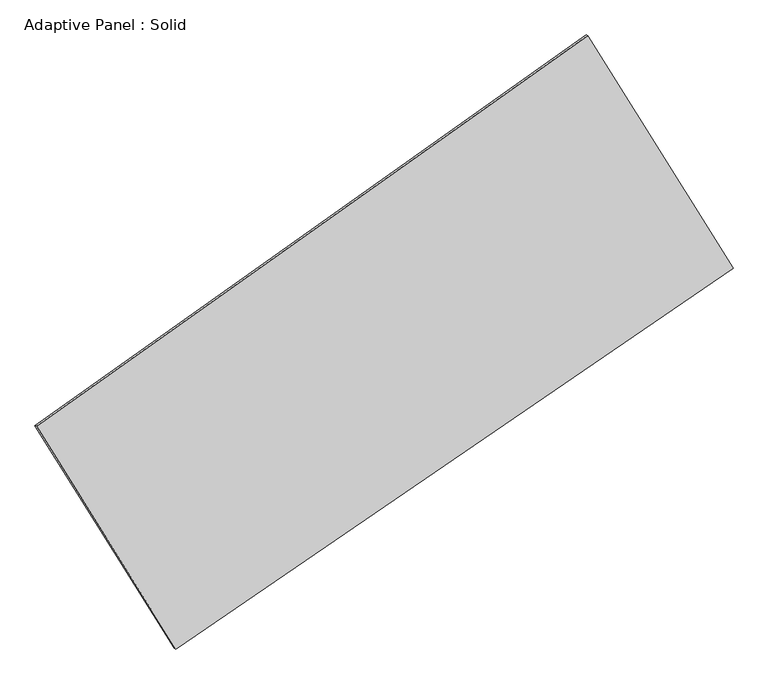
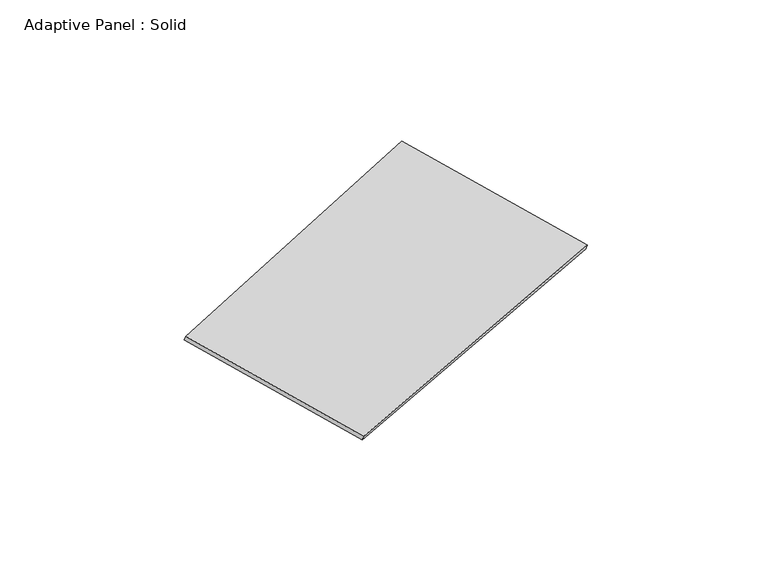
"""IFC4 building model written with IfcOpenShell, lengths in millimetres: plate geometry, Adaptive Panel : Solid."""

from ifc_helpers import new_model, si_unit, frame, origin, place, context, project, spatial, polyline, outline, extrude, source, transform, mapped, element, save


def adaptive_panel_solid_c1855129(model_context):
    return source(origin(), model_context, "Body", "SweptSolid", [
        extrude(outline(polyline([(-1220.0507507, 2941.1905564), (1220.0507508, 2941.1905564), (1169.7801709, -2941.1905564), (-1169.7801709, -2941.1905564), (-1220.0507507, 2941.1905564)])), frame((-650.8226445, -100.0621432, 871.2806301), z_axis=(0.29332711661117716, -0.12760186928687178, 0.9474581603506664), x_axis=(0.510804152421237, -0.8168082936728224, -0.26814796149982967)), (0.0, 0.0, 1.0), 50.0),
    ])


if __name__ == "__main__":
    model = new_model("IFC4")
    model_context = context("Model", 3, world=origin())
    ifc_project = project(units=[si_unit("LENGTHUNIT", "METRE", prefix="MILLI")], contexts=[model_context])
    site = spatial("IfcSite", under=ifc_project)
    building = spatial("IfcBuilding", under=site)
    placement = place(None, origin())
    adaptive_panel_solid_shape = adaptive_panel_solid_c1855129(model_context)
    element("IfcPlate", 1, ObjectType="Adaptive Panel : Solid", at=placement, inside=building, context=model_context, shape_type="MappedRepresentation", body=[
        mapped(adaptive_panel_solid_shape, transform((0.0, 0.0, 0.0), x_axis=(1.0, 0.0, 0.0), y_axis=(0.0, 1.0, 0.0), z_axis=(0.0, 0.0, 1.0))),
    ])
    save(model, "model.ifc")
